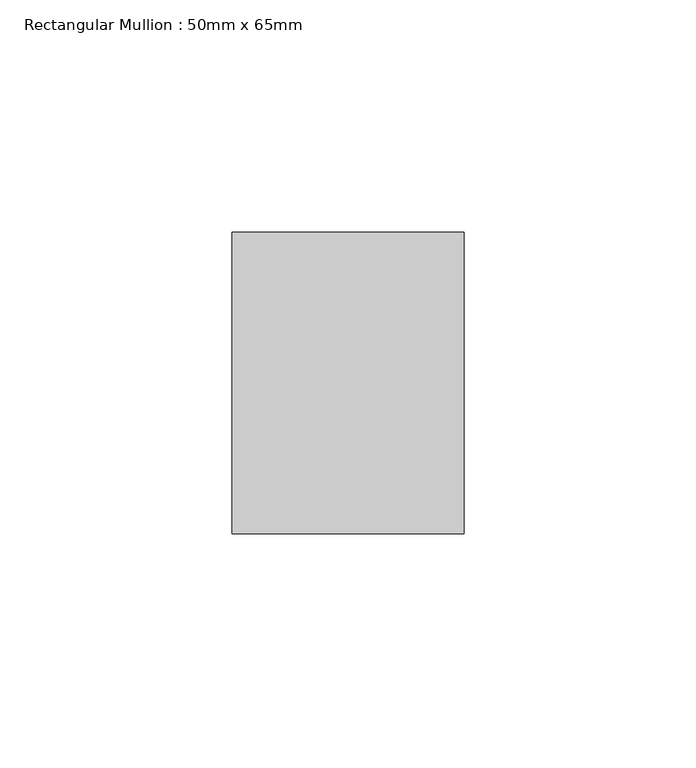
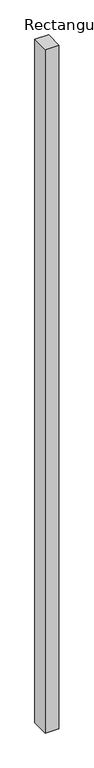
"""IFC4 building model written with IfcOpenShell, lengths in millimetres: member geometry, Rectangular Mullion : 50mm x 65mm."""

from ifc_helpers import new_model, si_unit, frame, origin, place, context, project, spatial, polyline, outline, extrude, source, transform, mapped, element, save


def rectangular_mullion_50mm_x_65mm_a505e26b(model_context):
    return source(origin(), model_context, "Body", "SweptSolid", [
        extrude(outline(polyline([(25.0, 32.5), (25.0, -32.5), (-25.0, -32.5), (-25.0, 32.5), (25.0, 32.5)])), frame((0.0, 0.0, -2625.0746817), z_axis=(0.0, 0.0, 1.0), x_axis=(1.0, 0.0, 0.0)), (0.0, 0.0, 1.0), 2625.0746817),
    ])


if __name__ == "__main__":
    model = new_model("IFC4")
    model_context = context("Model", 3, world=origin())
    ifc_project = project(units=[si_unit("LENGTHUNIT", "METRE", prefix="MILLI")], contexts=[model_context])
    site = spatial("IfcSite", under=ifc_project)
    building = spatial("IfcBuilding", under=site)
    placement = place(None, origin())
    rectangular_mullion_50mm_x_65mm_shape = rectangular_mullion_50mm_x_65mm_a505e26b(model_context)
    element("IfcMember", 1, ObjectType="Rectangular Mullion : 50mm x 65mm", at=placement, inside=building, context=model_context, shape_type="MappedRepresentation", body=[
        mapped(rectangular_mullion_50mm_x_65mm_shape, transform((0.0, 0.0, 0.0), x_axis=(1.0, 0.0, 0.0), y_axis=(0.0, 1.0, 0.0), z_axis=(0.0, 0.0, 1.0))),
    ])
    save(model, "model.ifc")
